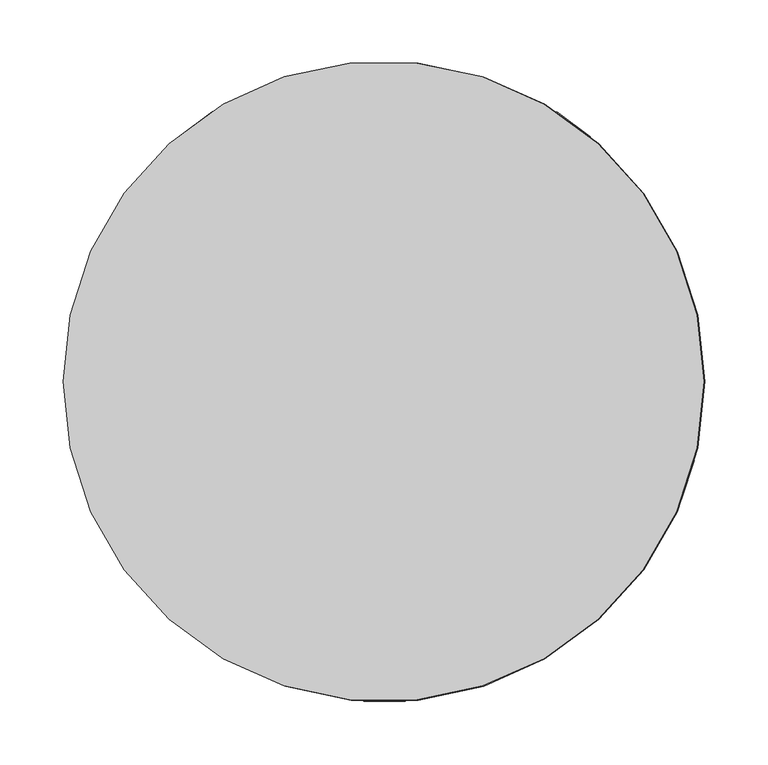
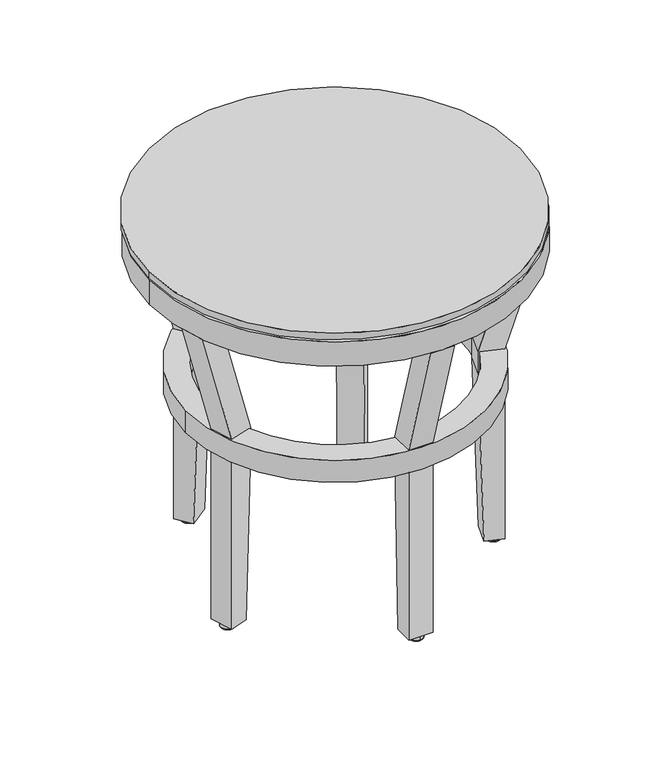
"""IFC4 building model written with IfcOpenShell, lengths in millimetres: furniture geometry."""

import ifcopenshell
import ifcopenshell.guid

model = None  # the IFC model being written
_history = None  # IfcOwnerHistory: only IFC2X3 demands one
_inside = {}  # id of a spatial element -> (the spatial element, [elements in it])
_under = {}  # id of a project, library or spatial element -> (it, [spatial elements below it])
_declared = {}  # id of a project -> (the project, [libraries it declares])
_typed = {}  # id of a type object -> (the type object, [elements of that type])
_made_of = {}  # id of a material, layer set ... -> (it, [elements and type objects made of it])


def new_model(schema):
    """Start an empty IFC model of exactly this schema.

    Asked for "IFC4X3", IfcOpenShell would pick the latest addendum, in which some entities
    have other attributes; the version numbers below select the first issue.
    IFC2X3 requires an IfcOwnerHistory on every rooted entity: one is made here for all.
    """
    global model, _history
    if schema == "IFC4X3":
        model = ifcopenshell.file(schema_version=(4, 3, 0, 0))
    else:
        model = ifcopenshell.file(schema=schema)
    _inside.clear()
    _under.clear()
    _declared.clear()
    _typed.clear()
    _made_of.clear()
    _history = None
    if model.schema == "IFC2X3":
        org = make("IfcOrganization", Name="unknown")
        user = make(
            "IfcPersonAndOrganization",
            ThePerson=make("IfcPerson", FamilyName="unknown"),
            TheOrganization=org,
        )
        app = make(
            "IfcApplication",
            ApplicationDeveloper=org,
            Version="unknown",
            ApplicationFullName="unknown",
            ApplicationIdentifier="unknown",
        )
        _history = make(
            "IfcOwnerHistory",
            OwningUser=user,
            OwningApplication=app,
            ChangeAction="ADDED",
            CreationDate=0,
        )
    return model


def make(cls, **values):
    """One entity of the class cls with the attributes given. An attribute that is None is left unset."""
    return model.create_entity(
        cls, **{name: value for name, value in values.items() if value is not None}
    )


def rooted(cls, **values):
    """An entity with a GlobalId (a new one), such as an element, a storey or a relation."""
    return make(cls, GlobalId=ifcopenshell.guid.new(), OwnerHistory=_history, **values)


def si_unit(unit_type, name, prefix=None):
    """IfcSIUnit, for example si_unit("LENGTHUNIT", "METRE", prefix="MILLI")."""
    return make("IfcSIUnit", UnitType=unit_type, Prefix=prefix, Name=name)


def assignment(units):
    """IfcUnitAssignment: the units of a project."""
    return None if units is None else make("IfcUnitAssignment", Units=units)


def point(xyz):
    """IfcCartesianPoint."""
    return None if xyz is None else make("IfcCartesianPoint", Coordinates=xyz)


def direction(xyz):
    """IfcDirection."""
    return None if xyz is None else make("IfcDirection", DirectionRatios=xyz)


def frame(location, z_axis=None, x_axis=None):
    """IfcAxis2Placement3D, a coordinate frame: its origin and axes. An axis left out is left unset."""
    return make(
        "IfcAxis2Placement3D",
        Location=point(location),
        Axis=direction(z_axis),
        RefDirection=direction(x_axis),
    )


def frame_2d(location, x_axis=None):
    """IfcAxis2Placement2D, a coordinate frame in the plane: its origin and x axis."""
    return make(
        "IfcAxis2Placement2D", Location=point(location), RefDirection=direction(x_axis)
    )


def origin():
    """The frame at (0, 0, 0) with its axes left unset."""
    return frame((0.0, 0.0, 0.0))


def place(relative_to, where):
    """IfcLocalPlacement: puts the frame where relative to a parent placement (None: the world)."""
    return make(
        "IfcLocalPlacement", PlacementRelTo=relative_to, RelativePlacement=where
    )


def context(
    kind, dimensions, precision=None, world=None, true_north=None, identifier=None
):
    """IfcGeometricRepresentationContext, for example the 3D "Model" context."""
    return make(
        "IfcGeometricRepresentationContext",
        ContextIdentifier=identifier,
        ContextType=kind,
        CoordinateSpaceDimension=dimensions,
        Precision=precision,
        WorldCoordinateSystem=world,
        TrueNorth=true_north,
    )


def project(units=None, contexts=None):
    """IfcProject with its units and contexts."""
    return rooted(
        "IfcProject",
        Name="project",
        RepresentationContexts=contexts,
        UnitsInContext=assignment(units),
    )


def spatial(cls, under=None, at=None, **own):
    """A site, building, storey or space (cls), placed at a placement, below another one or the project."""
    s = rooted(cls, ObjectPlacement=at, **own)
    if under is not None:
        _under.setdefault(under.id(), (under, []))[1].append(s)
    return s


def polyline(points):
    """IfcPolyline through the points."""
    return make("IfcPolyline", Points=[point(p) for p in points])


def circle_curve(where, radius):
    """IfcCircle in the frame where."""
    return make("IfcCircle", Position=where, Radius=radius)


def ellipse_curve(where, semi_axis1, semi_axis2):
    """IfcEllipse in the frame where."""
    return make(
        "IfcEllipse", Position=where, SemiAxis1=semi_axis1, SemiAxis2=semi_axis2
    )


def trimmed(basis, trim1, trim2, sense, master):
    """IfcTrimmedCurve: the piece of a basis curve between two trims."""
    return make(
        "IfcTrimmedCurve",
        BasisCurve=basis,
        Trim1=trim1,
        Trim2=trim2,
        SenseAgreement=sense,
        MasterRepresentation=master,
    )


def segment(curve, same_sense, transition):
    """IfcCompositeCurveSegment."""
    return make(
        "IfcCompositeCurveSegment",
        Transition=transition,
        SameSense=same_sense,
        ParentCurve=curve,
    )


def composite_curve(segments, self_intersect=None):
    """IfcCompositeCurve: segments joined end to end."""
    return make("IfcCompositeCurve", Segments=segments, SelfIntersect=self_intersect)


def outline(outer, holes=None, kind="AREA"):
    """IfcArbitraryClosedProfileDef: a profile drawn as a closed curve; with holes, ...WithVoids."""
    if holes is None:
        return make("IfcArbitraryClosedProfileDef", ProfileType=kind, OuterCurve=outer)
    return make(
        "IfcArbitraryProfileDefWithVoids",
        ProfileType=kind,
        OuterCurve=outer,
        InnerCurves=holes,
    )


def extrude(swept, where, along, depth):
    """IfcExtrudedAreaSolid: the profile swept, set in the frame where, extruded along a direction by depth."""
    return make(
        "IfcExtrudedAreaSolid",
        SweptArea=swept,
        Position=where,
        ExtrudedDirection=direction(along),
        Depth=depth,
    )


def shape(context_of_items, identifier, shape_type, items):
    """IfcShapeRepresentation: the items that make up one representation, for example the "Body"."""
    return make(
        "IfcShapeRepresentation",
        ContextOfItems=context_of_items,
        RepresentationIdentifier=identifier,
        RepresentationType=shape_type,
        Items=items,
    )


def source(mapping_origin, context_of_items, identifier, shape_type, items):
    """IfcRepresentationMap: a shape defined once, which mapped items show again and again."""
    return make(
        "IfcRepresentationMap",
        MappingOrigin=mapping_origin,
        MappedRepresentation=shape(context_of_items, identifier, shape_type, items),
    )


def transform(
    local_origin,
    x_axis=None,
    y_axis=None,
    z_axis=None,
    scale=None,
    scale2=None,
    scale3=None,
    uniform=True,
):
    """IfcCartesianTransformationOperator3D, or its non-uniform kind. x_axis, y_axis, z_axis: its Axis1, 2, 3."""
    if uniform:
        return make(
            "IfcCartesianTransformationOperator3D",
            Axis1=direction(x_axis),
            Axis2=direction(y_axis),
            LocalOrigin=point(local_origin),
            Scale=scale,
            Axis3=direction(z_axis),
        )
    return make(
        "IfcCartesianTransformationOperator3DnonUniform",
        Axis1=direction(x_axis),
        Axis2=direction(y_axis),
        LocalOrigin=point(local_origin),
        Scale=scale,
        Axis3=direction(z_axis),
        Scale2=scale2,
        Scale3=scale3,
    )


def mapped(mapping_source, mapping_target):
    """IfcMappedItem: shows the shape of a source again, moved by a transform."""
    return make(
        "IfcMappedItem", MappingSource=mapping_source, MappingTarget=mapping_target
    )


def made_of(thing, what):
    """Note that an element or type object is made of a material, layer set ...; save() writes the relation."""
    if what is not None:
        _made_of.setdefault(what.id(), (what, []))[1].append(thing)
    return thing


def element(
    cls,
    number,
    at=None,
    inside=None,
    cuts=None,
    type_object=None,
    material=None,
    context=None,
    identifier="Body",
    shape_type=None,
    held_by="IfcProductDefinitionShape",
    body=None,
    shapes=None,
    **own,
):
    """One element of the class cls, such as IfcWall. Its Tag is "e" and its number.

    at: its placement. inside: the storey or other place that contains it. cuts: it is an
    opening in that element (IfcRelVoidsElement). A single representation is given by context,
    identifier, shape_type and body (its items); several are given by shapes. held_by: the class
    of the entity that holds the representations. save() writes the other relations.
    """
    e = rooted(cls, Tag="e%d" % number, ObjectPlacement=at, **own)
    if body is not None:
        shapes = [shape(context, identifier, shape_type, body)]
    if shapes is not None:
        e.Representation = make(held_by, Representations=shapes)
    if inside is not None:
        _inside.setdefault(inside.id(), (inside, []))[1].append(e)
    if cuts is not None:
        rooted(
            "IfcRelVoidsElement", RelatingBuildingElement=cuts, RelatedOpeningElement=e
        )
    if type_object is not None:
        _typed.setdefault(type_object.id(), (type_object, []))[1].append(e)
    return made_of(e, material)


def aggregate(whole, parts):
    """IfcRelAggregates: a whole, such as a stair, and the parts it consists of."""
    return rooted("IfcRelAggregates", RelatingObject=whole, RelatedObjects=parts)


def save(model, path):
    """Write the relations noted so far, then the file.

    IfcRelAggregates (storeys below a building ...), IfcRelContainedInSpatialStructure (elements
    in a storey), IfcRelDefinesByType, IfcRelAssociatesMaterial and IfcRelDeclares: one each for
    every whole, place, type object, material and project.
    """
    for whole, parts in _under.values():
        aggregate(whole, parts)
    for where, things in _inside.values():
        rooted(
            "IfcRelContainedInSpatialStructure",
            RelatedElements=things,
            RelatingStructure=where,
        )
    for kind, things in _typed.values():
        rooted("IfcRelDefinesByType", RelatedObjects=things, RelatingType=kind)
    for what, things in _made_of.values():
        rooted("IfcRelAssociatesMaterial", RelatedObjects=things, RelatingMaterial=what)
    for by, libraries in _declared.values():
        rooted("IfcRelDeclares", RelatingContext=by, RelatedDefinitions=libraries)
    model.write(path)


def plane_surface(at):
    """IfcPlane: the flat surface through the origin of the frame at, square to its z axis."""
    return make("IfcPlane", Position=at)


def cylinder_surface(at, radius):
    """IfcCylindricalSurface: all points at the distance radius from the z axis of the frame at."""
    return make("IfcCylindricalSurface", Position=at, Radius=radius)


def revolved_surface(curve, axis_point, axis_direction):
    """IfcSurfaceOfRevolution: the curve turned about the line through axis_point along axis_direction."""
    return make(
        "IfcSurfaceOfRevolution",
        SweptCurve=make("IfcArbitraryOpenProfileDef", ProfileType="CURVE", Curve=curve),
        AxisPosition=make("IfcAxis1Placement", Location=point(axis_point), Axis=direction(axis_direction)),
    )


def advanced_brep(points, edges, surfaces, faces):
    """IfcAdvancedBrep: a solid bounded by faces that lie on surfaces and meet in shared edges.

    An edge is (start, end): straight between two places in points (the first is 0);
    or (start, end, curve); or (start, end, curve, False) where it runs against its curve.
    A face is (place in surfaces, loops), or (place, loops, False) where it looks against
    its surface's normal. A loop lists edges by number (the first is 1), with a minus sign
    where the edge is run from its end to its start. The first loop is the outer one.
    """
    corners = [point(p) for p in points]
    vertices = [make("IfcVertexPoint", VertexGeometry=c) for c in corners]
    made = []
    for start, end, *more in edges:
        made.append(
            make(
                "IfcEdgeCurve",
                EdgeStart=vertices[start],
                EdgeEnd=vertices[end],
                EdgeGeometry=more[0] if more else make("IfcPolyline", Points=[corners[start], corners[end]]),
                SameSense=more[1] if len(more) > 1 else True,
            )
        )
    hull = []
    for where, loops, *sense in faces:
        bounds = []
        for j, loop in enumerate(loops):
            ring = [make("IfcOrientedEdge", EdgeElement=made[abs(k) - 1], Orientation=k > 0) for k in loop]
            bounds.append(
                make(
                    "IfcFaceOuterBound" if j == 0 else "IfcFaceBound",
                    Bound=make("IfcEdgeLoop", EdgeList=ring),
                    Orientation=True,
                )
            )
        hull.append(make("IfcAdvancedFace", Bounds=bounds, FaceSurface=surfaces[where], SameSense=sense[0] if sense else True))
    return make("IfcAdvancedBrep", Outer=make("IfcClosedShell", CfsFaces=hull))


def furniture_eca987f1(model_context):
    return source(origin(), model_context, "Body", "SolidModel", [
        advanced_brep(
        [(17.2433346, -257.6474855, 453.628125), (17.2433346, -206.7130186, 283.0561964), (17.2433346, -175.2387884, 283.0553789), (17.2433346, -175.2387884, 251.3057907), (17.2433346, -206.7130186, 251.3057907), (17.2433346, -206.7130186, 8.9296875), (17.2433346, -181.1738724, 8.9296875), (17.2433346, -173.5621533, 251.3057907), (17.2433346, -173.5621533, 283.0561964), (17.2433346, -224.5470712, 453.628125), (-15.6426389, -257.6474855, 453.628125), (-15.6426389, -224.5470712, 453.628125), (-15.6426389, -173.5621533, 283.0561964), (-15.6426389, -173.5621533, 251.3057907), (-15.6426389, -181.1738724, 8.9296875), (-15.6426389, -206.7130186, 8.9296875), (-15.6426389, -206.7130186, 251.3057907), (-15.6426389, -175.2259526, 251.3057907), (-15.6426389, -175.2259526, 283.0553789), (-15.6426389, -206.7130186, 283.0553789), (-234.5097641, -97.9165331, 453.628125), (-186.0682075, -82.1769172, 283.0561964), (-156.7475311, -72.650052, 283.0553789), (-156.7475311, -72.650052, 251.3057907), (-186.0682075, -82.1769172, 251.3057907), (-186.0682075, -82.1769172, 8.9296875), (-161.779036, -74.284887, 8.9296875), (-154.539861, -71.9327365, 251.3057907), (-154.539861, -71.9327365, 283.0561964), (-203.0293994, -87.6879426, 453.628125), (-244.6720888, -66.6401137, 453.628125), (-213.1917241, -56.4115232, 453.628125), (-164.7021857, -40.6563171, 283.0561964), (-164.7021857, -40.6563171, 251.3057907), (-171.9413607, -43.0084676, 8.9296875), (-196.2305322, -50.9004978, 8.9296875), (-196.2305322, -50.9004978, 251.3057907), (-166.9054715, -41.372208, 251.3057907), (-166.9054715, -41.372208, 283.0553789), (-196.2305322, -50.9004978, 283.0553789), (236.2439921, -97.9165331, 453.628125), (204.7636274, -87.6879426, 453.628125), (156.274089, -71.9327365, 283.0561964), (156.274089, -71.9327365, 251.3057907), (163.513264, -74.284887, 8.9296875), (187.8024355, -82.1769172, 8.9296875), (187.8024355, -82.1769172, 251.3057907), (158.4817591, -72.650052, 251.3057907), (158.4817591, -72.650052, 283.0553789), (187.8024355, -82.1769172, 283.0553789), (246.4063168, -66.6401137, 453.628125), (197.9647602, -50.9004978, 283.0561964), (168.6396995, -41.372208, 283.0553789), (168.6396995, -41.372208, 251.3057907), (197.9647602, -50.9004978, 251.3057907), (197.9647602, -50.9004978, 8.9296875), (173.6755887, -43.0084676, 8.9296875), (166.4364137, -40.6563171, 251.3057907), (166.4364137, -40.6563171, 283.0561964), (214.9259521, -56.4115232, 453.628125), (-162.1166919, 190.1438424, 453.628125), (-131.4635646, 149.4657685, 283.0561964), (-112.8053556, 124.7054888, 283.0553789), (-112.8053556, 124.7054888, 251.3057907), (-131.4635646, 149.4657685, 251.3057907), (-131.4635646, 149.4657685, 8.9296875), (-116.0937227, 129.0692994, 8.9296875), (-111.5128758, 122.9903102, 251.3057907), (-111.5128758, 122.9903102, 283.0561964), (-142.1963653, 163.7086761, 453.628125), (-135.8527857, 209.9351153, 453.628125), (-115.9324591, 183.4999491, 453.628125), (-85.2489696, 142.7815832, 283.0561964), (-85.2489696, 142.7815832, 251.3057907), (-89.8298165, 148.8605723, 8.9296875), (-105.1996583, 169.2570414, 8.9296875), (-105.1996583, 169.2570414, 251.3057907), (-86.1686333, 144.0020182, 251.3057907), (-86.1686333, 144.0020182, 283.0553789), (-105.1996583, 169.2570414, 283.0553789), (163.85092, 190.1438424, 453.628125), (143.9305934, 163.7086761, 453.628125), (113.2471038, 122.9903102, 283.0561964), (113.2471038, 122.9903102, 251.3057907), (117.8279507, 129.0692994, 8.9296875), (133.1977926, 149.4657685, 8.9296875), (133.1977926, 149.4657685, 251.3057907), (114.5395836, 124.7054888, 251.3057907), (114.5395836, 124.7054888, 283.0553789), (133.1977926, 149.4657685, 283.0553789), (137.5870137, 209.9351153, 453.628125), (106.9338864, 169.2570414, 283.0561964), (87.9028613, 144.0020182, 283.0553789), (87.9028613, 144.0020182, 251.3057907), (106.9338864, 169.2570414, 251.3057907), (106.9338864, 169.2570414, 8.9296875), (91.5640445, 148.8605723, 8.9296875), (86.9831976, 142.7815832, 251.3057907), (86.9831976, 142.7815832, 283.0561964), (117.6666871, 183.4999491, 453.628125), (-203.7219485, -4.1739824, 283.0553789), (205.4561765, -4.1739824, 283.0553789), (-170.979761, -4.1739824, 283.0553789), (172.713989, -4.1739824, 283.0553789), (-203.7219485, -4.1739824, 251.3057907), (205.4561765, -4.1739824, 251.3057907), (172.713989, -4.1739824, 251.3057907), (-170.979761, -4.1739824, 251.3057907)],
        [
            (0, 1),
            (1, 2),
            (2, 3),
            (3, 4),
            (4, 5),
            (5, 6),
            (6, 7),
            (7, 8),
            (8, 9),
            (9, 0),
            (10, 11),
            (11, 12),
            (12, 13),
            (13, 14),
            (14, 15),
            (15, 16),
            (16, 17),
            (17, 18),
            (18, 19),
            (19, 10),
            (0, 10),
            (19, 1),
            (15, 5),
            (4, 16),
            (14, 6),
            (13, 7),
            (12, 8),
            (11, 9),
            (20, 21),
            (21, 22),
            (22, 23),
            (23, 24),
            (24, 25),
            (25, 26),
            (26, 27),
            (27, 28),
            (28, 29),
            (29, 20),
            (30, 31),
            (31, 32),
            (32, 33),
            (33, 34),
            (34, 35),
            (35, 36),
            (36, 37),
            (37, 38),
            (38, 39),
            (39, 30),
            (20, 30),
            (39, 21),
            (35, 25),
            (24, 36),
            (34, 26),
            (33, 27),
            (32, 28),
            (31, 29),
            (40, 41),
            (41, 42),
            (42, 43),
            (43, 44),
            (44, 45),
            (45, 46),
            (46, 47),
            (47, 48),
            (48, 49),
            (49, 40),
            (50, 51),
            (51, 52),
            (52, 53),
            (53, 54),
            (54, 55),
            (55, 56),
            (56, 57),
            (57, 58),
            (58, 59),
            (59, 50),
            (49, 51),
            (50, 40),
            (45, 55),
            (54, 46),
            (44, 56),
            (43, 57),
            (42, 58),
            (41, 59),
            (60, 61),
            (61, 62),
            (62, 63),
            (63, 64),
            (64, 65),
            (65, 66),
            (66, 67),
            (67, 68),
            (68, 69),
            (69, 60),
            (70, 71),
            (71, 72),
            (72, 73),
            (73, 74),
            (74, 75),
            (75, 76),
            (76, 77),
            (77, 78),
            (78, 79),
            (79, 70),
            (60, 70),
            (79, 61),
            (75, 65),
            (64, 76),
            (74, 66),
            (73, 67),
            (72, 68),
            (71, 69),
            (80, 81),
            (81, 82),
            (82, 83),
            (83, 84),
            (84, 85),
            (85, 86),
            (86, 87),
            (87, 88),
            (88, 89),
            (89, 80),
            (90, 91),
            (91, 92),
            (92, 93),
            (93, 94),
            (94, 95),
            (95, 96),
            (96, 97),
            (97, 98),
            (98, 99),
            (99, 90),
            (89, 91),
            (90, 80),
            (85, 95),
            (94, 86),
            (84, 96),
            (83, 97),
            (82, 98),
            (81, 99),
            (100, 101, circle_curve(frame((0.867114, -4.1739824, 283.0553789), z_axis=(0.0, 0.0, 1.0), x_axis=(1.0, 0.0, 0.0)), 204.5890625)),
            (101, 100, circle_curve(frame((0.867114, -4.1739824, 283.0553789), z_axis=(0.0, 0.0, 1.0), x_axis=(1.0, 0.0, 0.0)), 204.5890625)),
            (18, 22, circle_curve(frame((0.867114, -4.1739824, 283.0553789), z_axis=(0.0, 0.0, -1.0), x_axis=(1.0, 0.0, 0.0)), 171.846875)),
            (38, 102, circle_curve(frame((0.867114, -4.1739824, 283.0553789), z_axis=(0.0, 0.0, -1.0), x_axis=(1.0, 0.0, 0.0)), 171.846875)),
            (102, 62, circle_curve(frame((0.867114, -4.1739824, 283.0553789), z_axis=(0.0, 0.0, -1.0), x_axis=(1.0, 0.0, 0.0)), 171.846875)),
            (78, 92, circle_curve(frame((0.867114, -4.1739824, 283.0553789), z_axis=(0.0, 0.0, -1.0), x_axis=(1.0, 0.0, 0.0)), 171.846875)),
            (88, 103, circle_curve(frame((0.867114, -4.1739824, 283.0553789), z_axis=(0.0, 0.0, -1.0), x_axis=(1.0, 0.0, 0.0)), 171.846875)),
            (103, 52, circle_curve(frame((0.867114, -4.1739824, 283.0553789), z_axis=(0.0, 0.0, -1.0), x_axis=(1.0, 0.0, 0.0)), 171.846875)),
            (48, 2, circle_curve(frame((0.867114, -4.1739824, 283.0553789), z_axis=(0.0, 0.0, -1.0), x_axis=(1.0, 0.0, 0.0)), 171.846875)),
            (104, 105, circle_curve(frame((0.867114, -4.1739824, 251.3057907), z_axis=(0.0, 0.0, -1.0), x_axis=(1.0, 0.0, 0.0)), 204.5890625)),
            (105, 104, circle_curve(frame((0.867114, -4.1739824, 251.3057907), z_axis=(0.0, 0.0, -1.0), x_axis=(1.0, 0.0, 0.0)), 204.5890625)),
            (3, 47, circle_curve(frame((0.867114, -4.1739824, 251.3057907), z_axis=(0.0, 0.0, 1.0), x_axis=(1.0, 0.0, 0.0)), 171.846875)),
            (53, 106, circle_curve(frame((0.867114, -4.1739824, 251.3057907), z_axis=(0.0, 0.0, 1.0), x_axis=(1.0, 0.0, 0.0)), 171.846875)),
            (106, 87, circle_curve(frame((0.867114, -4.1739824, 251.3057907), z_axis=(0.0, 0.0, 1.0), x_axis=(1.0, 0.0, 0.0)), 171.846875)),
            (93, 77, circle_curve(frame((0.867114, -4.1739824, 251.3057907), z_axis=(0.0, 0.0, 1.0), x_axis=(1.0, 0.0, 0.0)), 171.846875)),
            (63, 107, circle_curve(frame((0.867114, -4.1739824, 251.3057907), z_axis=(0.0, 0.0, 1.0), x_axis=(1.0, 0.0, 0.0)), 171.846875)),
            (107, 37, circle_curve(frame((0.867114, -4.1739824, 251.3057907), z_axis=(0.0, 0.0, 1.0), x_axis=(1.0, 0.0, 0.0)), 171.846875)),
            (23, 17, circle_curve(frame((0.867114, -4.1739824, 251.3057907), z_axis=(0.0, 0.0, 1.0), x_axis=(1.0, 0.0, 0.0)), 171.846875)),
            (100, 104),
            (105, 101),
            (102, 107),
            (106, 103),
        ],
        [
            plane_surface(frame((17.2433346, -257.6474855, 453.628125), z_axis=(1.0, 0.0, 0.0), x_axis=(0.0, 0.2861256508598069, -0.9581921059579086))),
            plane_surface(frame((-15.6426389, -257.6474855, 453.628125), z_axis=(-1.0, 0.0, 0.0), x_axis=(0.0, -0.2861256508598069, 0.9581921059579086))),
            plane_surface(frame((17.2433346, -257.6474855, 453.628125), z_axis=(0.0, -0.9581921059579086, -0.2861256508598069), x_axis=(-1.0, 0.0, 0.0))),
            plane_surface(frame((17.2433346, -206.7130186, 283.0561964), z_axis=(0.0, -1.0, 0.0), x_axis=(-1.0, 0.0, 0.0))),
            plane_surface(frame((17.2433346, -206.7130186, 8.9296875), z_axis=(0.0, 0.0, -1.0), x_axis=(-1.0, 0.0, 0.0))),
            plane_surface(frame((17.2433346, -181.1738724, 8.9296875), z_axis=(0.0, 0.9995072407179675, -0.03138910244583295), x_axis=(-1.0, 0.0, 0.0))),
            plane_surface(frame((17.2433346, -173.5621533, 251.3057907), z_axis=(0.0, 1.0, 0.0), x_axis=(-1.0, 0.0, 0.0))),
            plane_surface(frame((17.2433346, -173.5621533, 283.0561964), z_axis=(0.0, 0.9581143763486435, 0.2863858268735554), x_axis=(-1.0, 0.0, 0.0))),
            plane_surface(frame((17.2433346, -224.5470712, 453.628125), z_axis=(0.0, 0.0, 1.0), x_axis=(-1.0, 0.0, 0.0))),
            plane_surface(frame((-234.5097641, -97.9165331, 453.628125), z_axis=(0.3090169943749383, -0.9510565162951566, 0.0), x_axis=(0.27212166472906224, 0.0884176886421671, -0.9581921059580175))),
            plane_surface(frame((-244.6720888, -66.6401137, 453.628125), z_axis=(-0.3090169943749383, 0.9510565162951566, 0.0), x_axis=(-0.27212166472906224, -0.0884176886421671, 0.9581921059580175))),
            plane_surface(frame((-234.5097641, -97.9165331, 453.628125), z_axis=(-0.9112948462339527, -0.29609764461693605, -0.2861256508594421), x_axis=(-0.3090169943749381, 0.9510565162951566, 0.0))),
            plane_surface(frame((-186.0682075, -82.1769172, 283.0561964), z_axis=(-0.9510565162951566, -0.309016994374938, 0.0), x_axis=(-0.309016994374938, 0.9510565162951566, 0.0))),
            plane_surface(frame((-186.0682075, -82.1769172, 8.9296875), z_axis=(0.0, 0.0, -1.0), x_axis=(-0.309016994374938, 0.9510565162951566, 0.0))),
            plane_surface(frame((-161.779036, -74.284887, 8.9296875), z_axis=(0.950587874369023, 0.308864723382657, -0.031389102445550515), x_axis=(-0.309016994374938, 0.9510565162951566, 0.0))),
            plane_surface(frame((-154.539861, -71.9327365, 251.3057907), z_axis=(0.9510565162951566, 0.3090169943749381, 0.0), x_axis=(-0.3090169943749381, 0.9510565162951566, 0.0))),
            plane_surface(frame((-154.539861, -71.9327365, 283.0561964), z_axis=(0.9112209209824823, 0.29607362484668437, 0.2863858268734359), x_axis=(-0.3090169943749381, 0.9510565162951566, 0.0))),
            plane_surface(frame((-203.0293994, -87.6879426, 453.628125), z_axis=(0.0, 0.0, 1.0), x_axis=(-0.3090169943749382, 0.9510565162951565, 0.0))),
            plane_surface(frame((204.7636274, -87.6879426, 453.628125), z_axis=(-0.3090169943749382, -0.9510565162951565, 0.0), x_axis=(-0.9510565162951565, 0.3090169943749382, 0.0))),
            plane_surface(frame((214.9259521, -56.4115232, 453.628125), z_axis=(0.3090169943749382, 0.9510565162951565, 0.0), x_axis=(0.9510565162951565, -0.3090169943749382, 0.0))),
            plane_surface(frame((187.8024355, -82.1769172, 283.0561964), z_axis=(0.9112948462339505, -0.2960976446169353, -0.28612565085944974), x_axis=(0.309016994374938, 0.9510565162951566, 0.0))),
            plane_surface(frame((187.8024355, -82.1769172, 8.9296875), z_axis=(0.9510565162951566, -0.309016994374938, 0.0), x_axis=(0.309016994374938, 0.9510565162951566, 0.0))),
            plane_surface(frame((163.513264, -74.284887, 8.9296875), z_axis=(0.0, 0.0, -1.0), x_axis=(0.309016994374938, 0.9510565162951566, 0.0))),
            plane_surface(frame((156.274089, -71.9327365, 251.3057907), z_axis=(-0.9505878743690228, 0.30886472338265697, -0.03138910244555579), x_axis=(0.309016994374938, 0.9510565162951566, 0.0))),
            plane_surface(frame((156.274089, -71.9327365, 283.0561964), z_axis=(-0.9510565162951566, 0.309016994374938, 0.0), x_axis=(0.309016994374938, 0.9510565162951566, 0.0))),
            plane_surface(frame((204.7636274, -87.6879426, 453.628125), z_axis=(-0.9112209209824808, 0.29607362484668376, 0.28638582687344116), x_axis=(0.309016994374938, 0.9510565162951566, 0.0))),
            plane_surface(frame((236.2439921, -97.9165331, 453.628125), z_axis=(0.0, 0.0, 1.0), x_axis=(0.309016994374938, 0.9510565162951566, 0.0))),
            plane_surface(frame((-162.1166919, 190.1438424, 453.628125), z_axis=(-0.7986355100473135, -0.601815023152021, 0.0), x_axis=(0.17219471519639779, -0.228510105111781, -0.9581921059580037))),
            plane_surface(frame((-135.8527857, 209.9351153, 453.628125), z_axis=(0.7986355100473135, 0.601815023152021, 0.0), x_axis=(-0.17219471519639779, 0.228510105111781, 0.9581921059580037))),
            plane_surface(frame((-162.1166919, 190.1438424, 453.628125), z_axis=(-0.5766544044311975, 0.7652462412650817, -0.28612565085948827), x_axis=(0.7986355100473135, 0.601815023152021, 0.0))),
            plane_surface(frame((-131.4635646, 149.4657685, 283.0561964), z_axis=(-0.6018150231520215, 0.798635510047313, 0.0), x_axis=(0.798635510047313, 0.6018150231520215, 0.0))),
            plane_surface(frame((-131.4635646, 149.4657685, 8.9296875), z_axis=(0.0, 0.0, -1.0), x_axis=(0.7986355100473133, 0.6018150231520212, 0.0))),
            plane_surface(frame((-116.0937227, 129.0692994, 8.9296875), z_axis=(0.601518473213301, -0.7982419749867833, -0.03138910244557842), x_axis=(0.7986355100473137, 0.6018150231520207, 0.0))),
            plane_surface(frame((-111.5128758, 122.9903102, 251.3057907), z_axis=(0.6018150231520215, -0.798635510047313, 0.0), x_axis=(0.798635510047313, 0.6018150231520215, 0.0))),
            plane_surface(frame((-111.5128758, 122.9903102, 283.0561964), z_axis=(0.5766076255845556, -0.7651841636388833, 0.2863858268734747), x_axis=(0.7986355100473133, 0.6018150231520214, 0.0))),
            plane_surface(frame((-142.1963653, 163.7086761, 453.628125), z_axis=(0.0, 0.0, 1.0), x_axis=(0.7986355100473137, 0.6018150231520207, 0.0))),
            plane_surface(frame((143.9305934, 163.7086761, 453.628125), z_axis=(0.7986355100473135, -0.601815023152021, 0.0), x_axis=(-0.601815023152021, -0.7986355100473135, 0.0))),
            plane_surface(frame((117.6666871, 183.4999491, 453.628125), z_axis=(-0.7986355100473135, 0.601815023152021, 0.0), x_axis=(0.601815023152021, 0.7986355100473135, 0.0))),
            plane_surface(frame((133.1977926, 149.4657685, 283.0561964), z_axis=(0.5766544044312034, 0.76524624126509, -0.2861256508594534), x_axis=(-0.7986355100473137, 0.6018150231520207, 0.0))),
            plane_surface(frame((133.1977926, 149.4657685, 8.9296875), z_axis=(0.601815023152021, 0.7986355100473135, 0.0), x_axis=(-0.7986355100473135, 0.601815023152021, 0.0))),
            plane_surface(frame((117.8279507, 129.0692994, 8.9296875), z_axis=(0.0, 0.0, -1.0), x_axis=(-0.7986355100473137, 0.6018150231520207, 0.0))),
            plane_surface(frame((113.2471038, 122.9903102, 251.3057907), z_axis=(-0.6015184732133018, -0.7982419749867835, -0.03138910244555643), x_axis=(-0.7986355100473134, 0.6018150231520211, 0.0))),
            plane_surface(frame((113.2471038, 122.9903102, 283.0561964), z_axis=(-0.6018150231520207, -0.7986355100473137, 0.0), x_axis=(-0.7986355100473137, 0.6018150231520207, 0.0))),
            plane_surface(frame((143.9305934, 163.7086761, 453.628125), z_axis=(-0.57660762558456, -0.7651841636388905, 0.28638582687344644), x_axis=(-0.7986355100473137, 0.6018150231520207, 0.0))),
            plane_surface(frame((163.85092, 190.1438424, 453.628125), z_axis=(0.0, 0.0, 1.0), x_axis=(-0.7986355100473135, 0.601815023152021, 0.0))),
            plane_surface(frame((205.4561765, -4.1739824, 283.0553789), z_axis=(0.0, 0.0, 1.0), x_axis=(0.0, 1.0, 0.0))),
            plane_surface(frame((205.4561765, -4.1739824, 251.3057907), z_axis=(0.0, 0.0, -1.0), x_axis=(0.0, -1.0, 0.0))),
            cylinder_surface(frame((0.867114, -4.1739824, 251.3057907), z_axis=(0.0, 0.0, 1.0), x_axis=(1.0, 0.0, 0.0)), 204.5890625),
            revolved_surface(polyline([(172.713989, -4.1739824, 251.3057907), (172.713989, -4.1739824, 283.0553789)]), (0.867114, -4.1739824, 0.0), (0.0, 0.0, -1.0)),
        ],
        [
            (0, [[1, 2, 3, 4, 5, 6, 7, 8, 9, 10]]),
            (1, [[11, 12, 13, 14, 15, 16, 17, 18, 19, 20]]),
            (2, [[-1, 21, -20, 22]]),
            (3, [[23, -5, 24, -16]]),
            (4, [[-6, -23, -15, 25]]),
            (5, [[-7, -25, -14, 26]]),
            (6, [[-8, -26, -13, 27]]),
            (7, [[-9, -27, -12, 28]]),
            (8, [[-10, -28, -11, -21]]),
            (9, [[29, 30, 31, 32, 33, 34, 35, 36, 37, 38]]),
            (10, [[39, 40, 41, 42, 43, 44, 45, 46, 47, 48]]),
            (11, [[-29, 49, -48, 50]]),
            (12, [[51, -33, 52, -44]]),
            (13, [[-34, -51, -43, 53]]),
            (14, [[-35, -53, -42, 54]]),
            (15, [[-36, -54, -41, 55]]),
            (16, [[-37, -55, -40, 56]]),
            (17, [[-38, -56, -39, -49]]),
            (18, [[57, 58, 59, 60, 61, 62, 63, 64, 65, 66]]),
            (19, [[67, 68, 69, 70, 71, 72, 73, 74, 75, 76]]),
            (20, [[-66, 77, -67, 78]]),
            (21, [[79, -71, 80, -62]]),
            (22, [[-61, 81, -72, -79]]),
            (23, [[-60, 82, -73, -81]]),
            (24, [[-59, 83, -74, -82]]),
            (25, [[-58, 84, -75, -83]]),
            (26, [[-57, -78, -76, -84]]),
            (27, [[85, 86, 87, 88, 89, 90, 91, 92, 93, 94]]),
            (28, [[95, 96, 97, 98, 99, 100, 101, 102, 103, 104]]),
            (29, [[-85, 105, -104, 106]]),
            (30, [[107, -89, 108, -100]]),
            (31, [[-90, -107, -99, 109]]),
            (32, [[-91, -109, -98, 110]]),
            (33, [[-92, -110, -97, 111]]),
            (34, [[-93, -111, -96, 112]]),
            (35, [[-94, -112, -95, -105]]),
            (36, [[113, 114, 115, 116, 117, 118, 119, 120, 121, 122]]),
            (37, [[123, 124, 125, 126, 127, 128, 129, 130, 131, 132]]),
            (38, [[-122, 133, -123, 134]]),
            (39, [[135, -127, 136, -118]]),
            (40, [[-117, 137, -128, -135]]),
            (41, [[-116, 138, -129, -137]]),
            (42, [[-115, 139, -130, -138]]),
            (43, [[-114, 140, -131, -139]]),
            (44, [[-113, -134, -132, -140]]),
            (45, [[141, 142], [-2, -22, -19, 143, -30, -50, -47, 144, 145, -86, -106, -103, 146, -124, -133, -121, 147, 148, -68, -77, -65, 149]]),
            (46, [[150, 151], [-4, 152, -63, -80, -70, 153, 154, -119, -136, -126, 155, -101, -108, -88, 156, 157, -45, -52, -32, 158, -17, -24]]),
            (47, [[-141, 159, -151, 160]]),
            (47, [[-142, -160, -150, -159]]),
            (48, [[161, -156, -87, -145]]),
            (48, [[-125, -146, -102, -155]]),
            (48, [[162, -147, -120, -154]]),
            (48, [[-3, -149, -64, -152]]),
            (48, [[-18, -158, -31, -143]]),
            (48, [[-161, -144, -46, -157]]),
            (48, [[-162, -153, -69, -148]]),
        ],
    ),
        advanced_brep(
        [(182.4413795, -53.6748533, 8.9296875), (182.4413795, -72.7148248, 8.9296875), (182.4413795, -63.1948391, 8.9296875), (182.4413795, -53.6748533, 2.5402292), (182.4413795, -72.7148248, 2.5402292), (182.4413795, -56.214869, 0.0002134), (182.4413795, -70.1748091, 0.0002134), (182.4413795, -63.1948391, 0.0002134)],
        [
            (0, 1, circle_curve(frame((182.4413795, -63.1948391, 8.9296875), z_axis=(0.0, 0.0, 1.0), x_axis=(0.0, -1.0, 0.0)), 9.5199858)),
            (1, 2),
            (2, 0),
            (1, 0, circle_curve(frame((182.4413795, -63.1948391, 8.9296875), z_axis=(0.0, 0.0, 1.0), x_axis=(0.0, -1.0, 0.0)), 9.5199858)),
            (3, 4, circle_curve(frame((182.4413795, -63.1948391, 2.5402292), z_axis=(0.0, 0.0, 1.0), x_axis=(0.0, -1.0, 0.0)), 9.5199858)),
            (4, 1),
            (0, 3),
            (4, 3, circle_curve(frame((182.4413795, -63.1948391, 2.5402292), z_axis=(0.0, 0.0, 1.0), x_axis=(0.0, -1.0, 0.0)), 9.5199858)),
            (5, 6, circle_curve(frame((182.4413795, -63.1948391, 0.0002134), z_axis=(0.0, 0.0, 1.0), x_axis=(0.0, -1.0, 0.0)), 6.97997)),
            (6, 4, circle_curve(frame((182.4413795, -70.1748091, 2.5402292), z_axis=(-1.0, 0.0, 0.0), x_axis=(0.0, 1.0, 0.0)), 2.5400157)),
            (3, 5, circle_curve(frame((182.4413795, -56.214869, 2.5402292), z_axis=(-1.0, 0.0, 0.0), x_axis=(0.0, -1.0, 0.0)), 2.5400157)),
            (6, 5, circle_curve(frame((182.4413795, -63.1948391, 0.0002134), z_axis=(0.0, 0.0, 1.0), x_axis=(0.0, -1.0, 0.0)), 6.97997)),
            (7, 6),
            (5, 7),
        ],
        [
            plane_surface(frame((182.4413795, -63.1948391, 8.9296875), z_axis=(0.0, 0.0, 1.0), x_axis=(0.0, -1.0, 0.0))),
            cylinder_surface(frame((182.4413795, -63.1948391, 8.8156007), z_axis=(0.0, 0.0, -1.0), x_axis=(0.0, -1.0, 0.0)), 9.5199858),
            revolved_surface(trimmed(ellipse_curve(frame((182.4413795, -70.1748091, 2.5402292), z_axis=(1.0, 0.0, 0.0), x_axis=(0.0, 1.0, 0.0)), 2.5400157, 2.5400157), [point((182.4413795, -72.7148248, 2.5402292))], [point((182.4413795, -70.1748091, 0.0002134))], True, "CARTESIAN"), (182.4413795, -63.1948391, 8.8156007), (0.0, 0.0, -1.0)),
            plane_surface(frame((182.4413795, -63.1948391, 0.0002134), z_axis=(0.0, 0.0, -1.0), x_axis=(0.0, -1.0, 0.0))),
        ],
        [
            (0, [[1, 2, 3]]),
            (0, [[4, -3, -2]]),
            (1, [[5, 6, -1, 7]]),
            (1, [[8, -7, -4, -6]]),
            (2, [[9, 10, -5, 11]]),
            (2, [[12, -11, -8, -10]]),
            (3, [[13, -9, 14]]),
            (3, [[-14, -12, -13]]),
        ],
    ),
        advanced_brep(
        [(112.9318674, 159.6427, 8.9296875), (112.9318674, 140.6027284, 8.9296875), (112.9318674, 150.1227142, 8.9296875), (112.9318674, 159.6427, 2.5402292), (112.9318674, 140.6027284, 2.5402292), (112.9318674, 157.1026842, 0.0002134), (112.9318674, 143.1427442, 0.0002134), (112.9318674, 150.1227142, 0.0002134)],
        [
            (0, 1, circle_curve(frame((112.9318674, 150.1227142, 8.9296875), z_axis=(0.0, 0.0, 1.0), x_axis=(0.0, -1.0, 0.0)), 9.5199858)),
            (1, 2),
            (2, 0),
            (1, 0, circle_curve(frame((112.9318674, 150.1227142, 8.9296875), z_axis=(0.0, 0.0, 1.0), x_axis=(0.0, -1.0, 0.0)), 9.5199858)),
            (3, 4, circle_curve(frame((112.9318674, 150.1227142, 2.5402292), z_axis=(0.0, 0.0, 1.0), x_axis=(0.0, -1.0, 0.0)), 9.5199858)),
            (4, 1),
            (0, 3),
            (4, 3, circle_curve(frame((112.9318674, 150.1227142, 2.5402292), z_axis=(0.0, 0.0, 1.0), x_axis=(0.0, -1.0, 0.0)), 9.5199858)),
            (5, 6, circle_curve(frame((112.9318674, 150.1227142, 0.0002134), z_axis=(0.0, 0.0, 1.0), x_axis=(0.0, -1.0, 0.0)), 6.97997)),
            (6, 4, circle_curve(frame((112.9318674, 143.1427442, 2.5402292), z_axis=(-1.0, 0.0, 0.0), x_axis=(0.0, 1.0, 0.0)), 2.5400157)),
            (3, 5, circle_curve(frame((112.9318674, 157.1026842, 2.5402292), z_axis=(-1.0, 0.0, 0.0), x_axis=(0.0, -1.0, 0.0)), 2.5400157)),
            (6, 5, circle_curve(frame((112.9318674, 150.1227142, 0.0002134), z_axis=(0.0, 0.0, 1.0), x_axis=(0.0, -1.0, 0.0)), 6.97997)),
            (7, 6),
            (5, 7),
        ],
        [
            plane_surface(frame((112.9318674, 150.1227142, 8.9296875), z_axis=(0.0, 0.0, 1.0), x_axis=(0.0, -1.0, 0.0))),
            cylinder_surface(frame((112.9318674, 150.1227142, 8.8156007), z_axis=(0.0, 0.0, -1.0), x_axis=(0.0, -1.0, 0.0)), 9.5199858),
            revolved_surface(trimmed(ellipse_curve(frame((112.9318674, 143.1427442, 2.5402292), z_axis=(1.0, 0.0, 0.0), x_axis=(0.0, 1.0, 0.0)), 2.5400157, 2.5400157), [point((112.9318674, 140.6027284, 2.5402292))], [point((112.9318674, 143.1427442, 0.0002134))], True, "CARTESIAN"), (112.9318674, 150.1227142, 8.8156007), (0.0, 0.0, -1.0)),
            plane_surface(frame((112.9318674, 150.1227142, 0.0002134), z_axis=(0.0, 0.0, -1.0), x_axis=(0.0, -1.0, 0.0))),
        ],
        [
            (0, [[1, 2, 3]]),
            (0, [[4, -3, -2]]),
            (1, [[5, 6, -1, 7]]),
            (1, [[8, -7, -4, -6]]),
            (2, [[9, 10, -5, 11]]),
            (2, [[12, -11, -8, -10]]),
            (3, [[13, -9, 14]]),
            (3, [[-14, -12, -13]]),
        ],
    ),
        advanced_brep(
        [(-111.3180759, 159.8411375, 8.9296875), (-111.3180759, 140.8011659, 8.9296875), (-111.3180759, 150.3211517, 8.9296875), (-111.3180759, 159.8411375, 2.5402292), (-111.3180759, 140.8011659, 2.5402292), (-111.3180759, 157.3011217, 0.0002134), (-111.3180759, 143.3411817, 0.0002134), (-111.3180759, 150.3211517, 0.0002134)],
        [
            (0, 1, circle_curve(frame((-111.3180759, 150.3211517, 8.9296875), z_axis=(0.0, 0.0, 1.0), x_axis=(0.0, -1.0, 0.0)), 9.5199858)),
            (1, 2),
            (2, 0),
            (1, 0, circle_curve(frame((-111.3180759, 150.3211517, 8.9296875), z_axis=(0.0, 0.0, 1.0), x_axis=(0.0, -1.0, 0.0)), 9.5199858)),
            (3, 4, circle_curve(frame((-111.3180759, 150.3211517, 2.5402292), z_axis=(0.0, 0.0, 1.0), x_axis=(0.0, -1.0, 0.0)), 9.5199858)),
            (4, 1),
            (0, 3),
            (4, 3, circle_curve(frame((-111.3180759, 150.3211517, 2.5402292), z_axis=(0.0, 0.0, 1.0), x_axis=(0.0, -1.0, 0.0)), 9.5199858)),
            (5, 6, circle_curve(frame((-111.3180759, 150.3211517, 0.0002134), z_axis=(0.0, 0.0, 1.0), x_axis=(0.0, -1.0, 0.0)), 6.97997)),
            (6, 4, circle_curve(frame((-111.3180759, 143.3411817, 2.5402292), z_axis=(-1.0, 0.0, 0.0), x_axis=(0.0, 1.0, 0.0)), 2.5400157)),
            (3, 5, circle_curve(frame((-111.3180759, 157.3011217, 2.5402292), z_axis=(-1.0, 0.0, 0.0), x_axis=(0.0, -1.0, 0.0)), 2.5400157)),
            (6, 5, circle_curve(frame((-111.3180759, 150.3211517, 0.0002134), z_axis=(0.0, 0.0, 1.0), x_axis=(0.0, -1.0, 0.0)), 6.97997)),
            (7, 6),
            (5, 7),
        ],
        [
            plane_surface(frame((-111.3180759, 150.3211517, 8.9296875), z_axis=(0.0, 0.0, 1.0), x_axis=(0.0, -1.0, 0.0))),
            cylinder_surface(frame((-111.3180759, 150.3211517, 8.8156007), z_axis=(0.0, 0.0, -1.0), x_axis=(0.0, -1.0, 0.0)), 9.5199858),
            revolved_surface(trimmed(ellipse_curve(frame((-111.3180759, 143.3411817, 2.5402292), z_axis=(1.0, 0.0, 0.0), x_axis=(0.0, 1.0, 0.0)), 2.5400157, 2.5400157), [point((-111.3180759, 140.8011659, 2.5402292))], [point((-111.3180759, 143.3411817, 0.0002134))], True, "CARTESIAN"), (-111.3180759, 150.3211517, 8.8156007), (0.0, 0.0, -1.0)),
            plane_surface(frame((-111.3180759, 150.3211517, 0.0002134), z_axis=(0.0, 0.0, -1.0), x_axis=(0.0, -1.0, 0.0))),
        ],
        [
            (0, [[1, 2, 3]]),
            (0, [[4, -3, -2]]),
            (1, [[5, 6, -1, 7]]),
            (1, [[8, -7, -4, -6]]),
            (2, [[9, 10, -5, 11]]),
            (2, [[12, -11, -8, -10]]),
            (3, [[13, -9, 14]]),
            (3, [[-14, -12, -13]]),
        ],
    ),
        advanced_brep(
        [(-180.6791781, -53.6072617, 8.9296875), (-180.6791781, -72.6472333, 8.9296875), (-180.6791781, -63.1272475, 8.9296875), (-180.6791781, -53.6072617, 2.5402292), (-180.6791781, -72.6472333, 2.5402292), (-180.6791781, -56.1472775, 0.0002134), (-180.6791781, -70.1072175, 0.0002134), (-180.6791781, -63.1272475, 0.0002134)],
        [
            (0, 1, circle_curve(frame((-180.6791781, -63.1272475, 8.9296875), z_axis=(0.0, 0.0, 1.0), x_axis=(0.0, -1.0, 0.0)), 9.5199858)),
            (1, 2),
            (2, 0),
            (1, 0, circle_curve(frame((-180.6791781, -63.1272475, 8.9296875), z_axis=(0.0, 0.0, 1.0), x_axis=(0.0, -1.0, 0.0)), 9.5199858)),
            (3, 4, circle_curve(frame((-180.6791781, -63.1272475, 2.5402292), z_axis=(0.0, 0.0, 1.0), x_axis=(0.0, -1.0, 0.0)), 9.5199858)),
            (4, 1),
            (0, 3),
            (4, 3, circle_curve(frame((-180.6791781, -63.1272475, 2.5402292), z_axis=(0.0, 0.0, 1.0), x_axis=(0.0, -1.0, 0.0)), 9.5199858)),
            (5, 6, circle_curve(frame((-180.6791781, -63.1272475, 0.0002134), z_axis=(0.0, 0.0, 1.0), x_axis=(0.0, -1.0, 0.0)), 6.97997)),
            (6, 4, circle_curve(frame((-180.6791781, -70.1072175, 2.5402292), z_axis=(-1.0, 0.0, 0.0), x_axis=(0.0, 1.0, 0.0)), 2.5400157)),
            (3, 5, circle_curve(frame((-180.6791781, -56.1472775, 2.5402292), z_axis=(-1.0, 0.0, 0.0), x_axis=(0.0, -1.0, 0.0)), 2.5400157)),
            (6, 5, circle_curve(frame((-180.6791781, -63.1272475, 0.0002134), z_axis=(0.0, 0.0, 1.0), x_axis=(0.0, -1.0, 0.0)), 6.97997)),
            (7, 6),
            (5, 7),
        ],
        [
            plane_surface(frame((-180.6791781, -63.1272475, 8.9296875), z_axis=(0.0, 0.0, 1.0), x_axis=(0.0, -1.0, 0.0))),
            cylinder_surface(frame((-180.6791781, -63.1272475, 8.8156007), z_axis=(0.0, 0.0, -1.0), x_axis=(0.0, -1.0, 0.0)), 9.5199858),
            revolved_surface(trimmed(ellipse_curve(frame((-180.6791781, -70.1072175, 2.5402292), z_axis=(1.0, 0.0, 0.0), x_axis=(0.0, 1.0, 0.0)), 2.5400157, 2.5400157), [point((-180.6791781, -72.6472333, 2.5402292))], [point((-180.6791781, -70.1072175, 0.0002134))], True, "CARTESIAN"), (-180.6791781, -63.1272475, 8.8156007), (0.0, 0.0, -1.0)),
            plane_surface(frame((-180.6791781, -63.1272475, 0.0002134), z_axis=(0.0, 0.0, -1.0), x_axis=(0.0, -1.0, 0.0))),
        ],
        [
            (0, [[1, 2, 3]]),
            (0, [[4, -3, -2]]),
            (1, [[5, 6, -1, 7]]),
            (1, [[8, -7, -4, -6]]),
            (2, [[9, 10, -5, 11]]),
            (2, [[12, -11, -8, -10]]),
            (3, [[13, -9, 14]]),
            (3, [[-14, -12, -13]]),
        ],
    ),
        advanced_brep(
        [(0.867114, -185.5354959, 8.9296875), (0.867114, -204.5754674, 8.9296875), (0.867114, -195.0554816, 8.9296875), (0.867114, -185.5354959, 2.5402292), (0.867114, -204.5754674, 2.5402292), (0.867114, -188.0755116, 0.0002134), (0.867114, -202.0354517, 0.0002134), (0.867114, -195.0554816, 0.0002134)],
        [
            (0, 1, circle_curve(frame((0.867114, -195.0554816, 8.9296875), z_axis=(0.0, 0.0, 1.0), x_axis=(0.0, -1.0, 0.0)), 9.5199858)),
            (1, 2),
            (2, 0),
            (1, 0, circle_curve(frame((0.867114, -195.0554816, 8.9296875), z_axis=(0.0, 0.0, 1.0), x_axis=(0.0, -1.0, 0.0)), 9.5199858)),
            (3, 4, circle_curve(frame((0.867114, -195.0554816, 2.5402292), z_axis=(0.0, 0.0, 1.0), x_axis=(0.0, -1.0, 0.0)), 9.5199858)),
            (4, 1),
            (0, 3),
            (4, 3, circle_curve(frame((0.867114, -195.0554816, 2.5402292), z_axis=(0.0, 0.0, 1.0), x_axis=(0.0, -1.0, 0.0)), 9.5199858)),
            (5, 6, circle_curve(frame((0.867114, -195.0554816, 0.0002134), z_axis=(0.0, 0.0, 1.0), x_axis=(0.0, -1.0, 0.0)), 6.97997)),
            (6, 4, circle_curve(frame((0.867114, -202.0354517, 2.5402292), z_axis=(-1.0, 0.0, 0.0), x_axis=(0.0, 1.0, 0.0)), 2.5400157)),
            (3, 5, circle_curve(frame((0.867114, -188.0755116, 2.5402292), z_axis=(-1.0, 0.0, 0.0), x_axis=(0.0, -1.0, 0.0)), 2.5400157)),
            (6, 5, circle_curve(frame((0.867114, -195.0554816, 0.0002134), z_axis=(0.0, 0.0, 1.0), x_axis=(0.0, -1.0, 0.0)), 6.97997)),
            (7, 6),
            (5, 7),
        ],
        [
            plane_surface(frame((0.867114, -195.0554816, 8.9296875), z_axis=(0.0, 0.0, 1.0), x_axis=(0.0, -1.0, 0.0))),
            cylinder_surface(frame((0.867114, -195.0554816, 8.8156007), z_axis=(0.0, 0.0, -1.0), x_axis=(0.0, -1.0, 0.0)), 9.5199858),
            revolved_surface(trimmed(ellipse_curve(frame((0.867114, -202.0354517, 2.5402292), z_axis=(1.0, 0.0, 0.0), x_axis=(0.0, 1.0, 0.0)), 2.5400157, 2.5400157), [point((0.867114, -204.5754674, 2.5402292))], [point((0.867114, -202.0354517, 0.0002134))], True, "CARTESIAN"), (0.867114, -195.0554816, 8.8156007), (0.0, 0.0, -1.0)),
            plane_surface(frame((0.867114, -195.0554816, 0.0002134), z_axis=(0.0, 0.0, -1.0), x_axis=(0.0, -1.0, 0.0))),
        ],
        [
            (0, [[1, 2, 3]]),
            (0, [[4, -3, -2]]),
            (1, [[5, 6, -1, 7]]),
            (1, [[8, -7, -4, -6]]),
            (2, [[9, 10, -5, 11]]),
            (2, [[12, -11, -8, -10]]),
            (3, [[13, -9, 14]]),
            (3, [[-14, -12, -13]]),
        ],
    ),
        extrude(outline(composite_curve([segment(trimmed(circle_curve(frame_2d((0.867114, -4.1739824)), 254.0), [point((-253.132886, -4.1739824))], [point((254.867114, -4.1739824))], False, "CARTESIAN"), True, "CONTINUOUS"), segment(trimmed(circle_curve(frame_2d((0.867114, -4.1739824)), 254.0), [point((254.867114, -4.1739824))], [point((-253.132886, -4.1739824))], False, "CARTESIAN"), True, "CONTINUOUS")], self_intersect=False), holes=[composite_curve([segment(trimmed(circle_curve(frame_2d((0.867114, -4.1739824)), 222.25), [point((-221.382886, -4.1739824))], [point((223.117114, -4.1739824))], True, "CARTESIAN"), True, "CONTINUOUS"), segment(trimmed(circle_curve(frame_2d((0.867114, -4.1739824)), 222.25), [point((223.117114, -4.1739824))], [point((-221.382886, -4.1739824))], True, "CARTESIAN"), True, "CONTINUOUS")], self_intersect=False)]), frame((0.0, 0.0, 453.628125), z_axis=(0.0, 0.0, 1.0), x_axis=(1.0, 0.0, 0.0)), (0.0, 0.0, 1.0), 35.1105265),
        extrude(outline(composite_curve([segment(trimmed(circle_curve(frame_2d((191.8571803, -141.792253)), 8.5093241), [point((183.3478562, -141.792253))], [point((200.3665044, -141.792253))], False, "CARTESIAN"), True, "CONTINUOUS"), segment(trimmed(circle_curve(frame_2d((191.8571803, -141.792253)), 8.5093241), [point((200.3665044, -141.792253))], [point((183.3478562, -141.792253))], False, "CARTESIAN"), True, "CONTINUOUS")], self_intersect=False)), frame((0.0, 0.0, 488.6685518), z_axis=(0.0, 0.0, 1.0), x_axis=(1.0, 0.0, 0.0)), (0.0, 0.0, 1.0), 3.4564482),
        extrude(outline(composite_curve([segment(trimmed(circle_curve(frame_2d((-71.9279293, -229.0157218)), 8.5093241), [point((-80.4372534, -229.0157218))], [point((-63.4186052, -229.0157218))], False, "CARTESIAN"), True, "CONTINUOUS"), segment(trimmed(circle_curve(frame_2d((-71.9279293, -229.0157218)), 8.5093241), [point((-63.4186052, -229.0157218))], [point((-80.4372534, -229.0157218))], False, "CARTESIAN"), True, "CONTINUOUS")], self_intersect=False)), frame((0.0, 0.0, 488.6685518), z_axis=(0.0, 0.0, 1.0), x_axis=(1.0, 0.0, 0.0)), (0.0, 0.0, 1.0), 3.4564482),
        extrude(outline(composite_curve([segment(trimmed(circle_curve(frame_2d((-236.2473833, -5.2899454)), 8.5093241), [point((-244.7567074, -5.2899454))], [point((-227.7380592, -5.2899454))], False, "CARTESIAN"), True, "CONTINUOUS"), segment(trimmed(circle_curve(frame_2d((-236.2473833, -5.2899454)), 8.5093241), [point((-227.7380592, -5.2899454))], [point((-244.7567074, -5.2899454))], False, "CARTESIAN"), True, "CONTINUOUS")], self_intersect=False)), frame((0.0, 0.0, 488.6685518), z_axis=(0.0, 0.0, 1.0), x_axis=(1.0, 0.0, 0.0)), (0.0, 0.0, 1.0), 3.4564482),
        extrude(outline(composite_curve([segment(trimmed(circle_curve(frame_2d((-74.2787126, 220.3050323)), 8.5093241), [point((-82.7880367, 220.3050323))], [point((-65.7693885, 220.3050323))], False, "CARTESIAN"), True, "CONTINUOUS"), segment(trimmed(circle_curve(frame_2d((-74.2787126, 220.3050323)), 8.5093241), [point((-65.7693885, 220.3050323))], [point((-82.7880367, 220.3050323))], False, "CARTESIAN"), True, "CONTINUOUS")], self_intersect=False)), frame((0.0, 0.0, 488.6685518), z_axis=(0.0, 0.0, 1.0), x_axis=(1.0, 0.0, 0.0)), (0.0, 0.0, 1.0), 3.4564482),
        extrude(outline(composite_curve([segment(trimmed(circle_curve(frame_2d((190.3198475, 135.7321726)), 8.5093241), [point((181.8105234, 135.7321726))], [point((198.8291716, 135.7321726))], False, "CARTESIAN"), True, "CONTINUOUS"), segment(trimmed(circle_curve(frame_2d((190.3198475, 135.7321726)), 8.5093241), [point((198.8291716, 135.7321726))], [point((181.8105234, 135.7321726))], False, "CARTESIAN"), True, "CONTINUOUS")], self_intersect=False)), frame((0.0, 0.0, 488.6685518), z_axis=(0.0, 0.0, 1.0), x_axis=(1.0, 0.0, 0.0)), (0.0, 0.0, 1.0), 3.4564482),
        extrude(outline(composite_curve([segment(trimmed(circle_curve(frame_2d((0.0, -4.0299408)), 254.0), [point((-254.0, -4.0299408))], [point((254.0, -4.0299408))], False, "CARTESIAN"), True, "CONTINUOUS"), segment(trimmed(circle_curve(frame_2d((0.0, -4.0299408)), 254.0), [point((254.0, -4.0299408))], [point((-254.0, -4.0299408))], False, "CARTESIAN"), True, "CONTINUOUS")], self_intersect=False)), frame((0.0, 0.0, 492.125), z_axis=(0.0, 0.0, 1.0), x_axis=(1.0, 0.0, 0.0)), (0.0, 0.0, 1.0), 9.525),
    ])


if __name__ == "__main__":
    model = new_model("IFC4")
    model_context = context("Model", 3, world=origin())
    ifc_project = project(units=[si_unit("LENGTHUNIT", "METRE", prefix="MILLI")], contexts=[model_context])
    site = spatial("IfcSite", under=ifc_project)
    building = spatial("IfcBuilding", under=site)
    placement = place(None, origin())
    furniture_shape = furniture_eca987f1(model_context)
    element("IfcFurniture", 1, at=placement, inside=building, context=model_context, shape_type="MappedRepresentation", body=[
        mapped(furniture_shape, transform((0.0, 0.0, 0.0), x_axis=(1.0, 0.0, 0.0), y_axis=(0.0, 1.0, 0.0), z_axis=(0.0, 0.0, 1.0))),
    ])
    save(model, "model.ifc")
